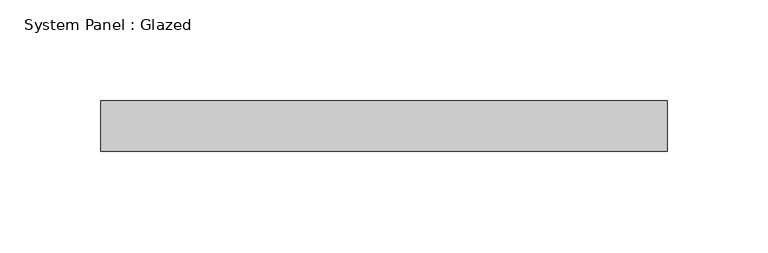
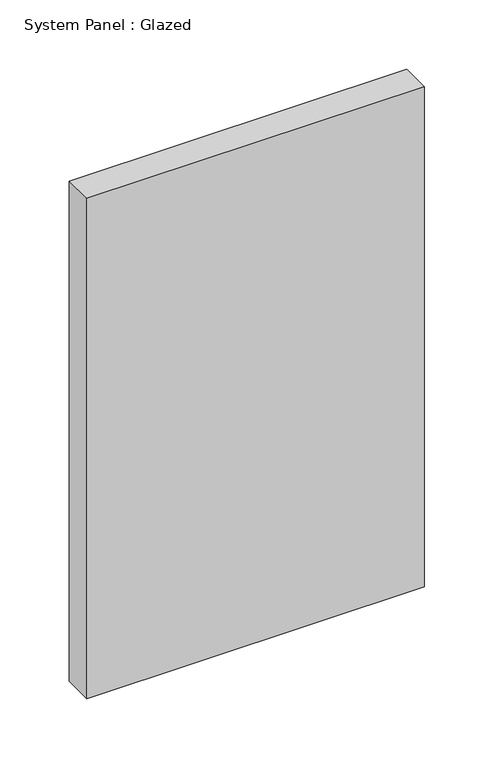
"""IFC4 building model written with IfcOpenShell, lengths in millimetres: plate geometry, System Panel : Glazed."""

import ifcopenshell
import ifcopenshell.guid

model = None  # the IFC model being written
_history = None  # IfcOwnerHistory: only IFC2X3 demands one
_inside = {}  # id of a spatial element -> (the spatial element, [elements in it])
_under = {}  # id of a project, library or spatial element -> (it, [spatial elements below it])
_declared = {}  # id of a project -> (the project, [libraries it declares])
_typed = {}  # id of a type object -> (the type object, [elements of that type])
_made_of = {}  # id of a material, layer set ... -> (it, [elements and type objects made of it])


def new_model(schema):
    """Start an empty IFC model of exactly this schema.

    Asked for "IFC4X3", IfcOpenShell would pick the latest addendum, in which some entities
    have other attributes; the version numbers below select the first issue.
    IFC2X3 requires an IfcOwnerHistory on every rooted entity: one is made here for all.
    """
    global model, _history
    if schema == "IFC4X3":
        model = ifcopenshell.file(schema_version=(4, 3, 0, 0))
    else:
        model = ifcopenshell.file(schema=schema)
    _inside.clear()
    _under.clear()
    _declared.clear()
    _typed.clear()
    _made_of.clear()
    _history = None
    if model.schema == "IFC2X3":
        org = make("IfcOrganization", Name="unknown")
        user = make(
            "IfcPersonAndOrganization",
            ThePerson=make("IfcPerson", FamilyName="unknown"),
            TheOrganization=org,
        )
        app = make(
            "IfcApplication",
            ApplicationDeveloper=org,
            Version="unknown",
            ApplicationFullName="unknown",
            ApplicationIdentifier="unknown",
        )
        _history = make(
            "IfcOwnerHistory",
            OwningUser=user,
            OwningApplication=app,
            ChangeAction="ADDED",
            CreationDate=0,
        )
    return model


def make(cls, **values):
    """One entity of the class cls with the attributes given. An attribute that is None is left unset."""
    return model.create_entity(
        cls, **{name: value for name, value in values.items() if value is not None}
    )


def rooted(cls, **values):
    """An entity with a GlobalId (a new one), such as an element, a storey or a relation."""
    return make(cls, GlobalId=ifcopenshell.guid.new(), OwnerHistory=_history, **values)


def si_unit(unit_type, name, prefix=None):
    """IfcSIUnit, for example si_unit("LENGTHUNIT", "METRE", prefix="MILLI")."""
    return make("IfcSIUnit", UnitType=unit_type, Prefix=prefix, Name=name)


def assignment(units):
    """IfcUnitAssignment: the units of a project."""
    return None if units is None else make("IfcUnitAssignment", Units=units)


def point(xyz):
    """IfcCartesianPoint."""
    return None if xyz is None else make("IfcCartesianPoint", Coordinates=xyz)


def direction(xyz):
    """IfcDirection."""
    return None if xyz is None else make("IfcDirection", DirectionRatios=xyz)


def frame(location, z_axis=None, x_axis=None):
    """IfcAxis2Placement3D, a coordinate frame: its origin and axes. An axis left out is left unset."""
    return make(
        "IfcAxis2Placement3D",
        Location=point(location),
        Axis=direction(z_axis),
        RefDirection=direction(x_axis),
    )


def origin():
    """The frame at (0, 0, 0) with its axes left unset."""
    return frame((0.0, 0.0, 0.0))


def origin_with_axes():
    """The frame at (0, 0, 0) with the z axis (0, 0, 1) and the x axis (1, 0, 0) written out."""
    return frame((0.0, 0.0, 0.0), z_axis=(0.0, 0.0, 1.0), x_axis=(1.0, 0.0, 0.0))


def place(relative_to, where):
    """IfcLocalPlacement: puts the frame where relative to a parent placement (None: the world)."""
    return make(
        "IfcLocalPlacement", PlacementRelTo=relative_to, RelativePlacement=where
    )


def context(
    kind, dimensions, precision=None, world=None, true_north=None, identifier=None
):
    """IfcGeometricRepresentationContext, for example the 3D "Model" context."""
    return make(
        "IfcGeometricRepresentationContext",
        ContextIdentifier=identifier,
        ContextType=kind,
        CoordinateSpaceDimension=dimensions,
        Precision=precision,
        WorldCoordinateSystem=world,
        TrueNorth=true_north,
    )


def project(units=None, contexts=None):
    """IfcProject with its units and contexts."""
    return rooted(
        "IfcProject",
        Name="project",
        RepresentationContexts=contexts,
        UnitsInContext=assignment(units),
    )


def spatial(cls, under=None, at=None, **own):
    """A site, building, storey or space (cls), placed at a placement, below another one or the project."""
    s = rooted(cls, ObjectPlacement=at, **own)
    if under is not None:
        _under.setdefault(under.id(), (under, []))[1].append(s)
    return s


def polyline(points):
    """IfcPolyline through the points."""
    return make("IfcPolyline", Points=[point(p) for p in points])


def outline(outer, holes=None, kind="AREA"):
    """IfcArbitraryClosedProfileDef: a profile drawn as a closed curve; with holes, ...WithVoids."""
    if holes is None:
        return make("IfcArbitraryClosedProfileDef", ProfileType=kind, OuterCurve=outer)
    return make(
        "IfcArbitraryProfileDefWithVoids",
        ProfileType=kind,
        OuterCurve=outer,
        InnerCurves=holes,
    )


def extrude(swept, where, along, depth):
    """IfcExtrudedAreaSolid: the profile swept, set in the frame where, extruded along a direction by depth."""
    return make(
        "IfcExtrudedAreaSolid",
        SweptArea=swept,
        Position=where,
        ExtrudedDirection=direction(along),
        Depth=depth,
    )


def shape(context_of_items, identifier, shape_type, items):
    """IfcShapeRepresentation: the items that make up one representation, for example the "Body"."""
    return make(
        "IfcShapeRepresentation",
        ContextOfItems=context_of_items,
        RepresentationIdentifier=identifier,
        RepresentationType=shape_type,
        Items=items,
    )


def source(mapping_origin, context_of_items, identifier, shape_type, items):
    """IfcRepresentationMap: a shape defined once, which mapped items show again and again."""
    return make(
        "IfcRepresentationMap",
        MappingOrigin=mapping_origin,
        MappedRepresentation=shape(context_of_items, identifier, shape_type, items),
    )


def transform(
    local_origin,
    x_axis=None,
    y_axis=None,
    z_axis=None,
    scale=None,
    scale2=None,
    scale3=None,
    uniform=True,
):
    """IfcCartesianTransformationOperator3D, or its non-uniform kind. x_axis, y_axis, z_axis: its Axis1, 2, 3."""
    if uniform:
        return make(
            "IfcCartesianTransformationOperator3D",
            Axis1=direction(x_axis),
            Axis2=direction(y_axis),
            LocalOrigin=point(local_origin),
            Scale=scale,
            Axis3=direction(z_axis),
        )
    return make(
        "IfcCartesianTransformationOperator3DnonUniform",
        Axis1=direction(x_axis),
        Axis2=direction(y_axis),
        LocalOrigin=point(local_origin),
        Scale=scale,
        Axis3=direction(z_axis),
        Scale2=scale2,
        Scale3=scale3,
    )


def mapped(mapping_source, mapping_target):
    """IfcMappedItem: shows the shape of a source again, moved by a transform."""
    return make(
        "IfcMappedItem", MappingSource=mapping_source, MappingTarget=mapping_target
    )


def made_of(thing, what):
    """Note that an element or type object is made of a material, layer set ...; save() writes the relation."""
    if what is not None:
        _made_of.setdefault(what.id(), (what, []))[1].append(thing)
    return thing


def element(
    cls,
    number,
    at=None,
    inside=None,
    cuts=None,
    type_object=None,
    material=None,
    context=None,
    identifier="Body",
    shape_type=None,
    held_by="IfcProductDefinitionShape",
    body=None,
    shapes=None,
    **own,
):
    """One element of the class cls, such as IfcWall. Its Tag is "e" and its number.

    at: its placement. inside: the storey or other place that contains it. cuts: it is an
    opening in that element (IfcRelVoidsElement). A single representation is given by context,
    identifier, shape_type and body (its items); several are given by shapes. held_by: the class
    of the entity that holds the representations. save() writes the other relations.
    """
    e = rooted(cls, Tag="e%d" % number, ObjectPlacement=at, **own)
    if body is not None:
        shapes = [shape(context, identifier, shape_type, body)]
    if shapes is not None:
        e.Representation = make(held_by, Representations=shapes)
    if inside is not None:
        _inside.setdefault(inside.id(), (inside, []))[1].append(e)
    if cuts is not None:
        rooted(
            "IfcRelVoidsElement", RelatingBuildingElement=cuts, RelatedOpeningElement=e
        )
    if type_object is not None:
        _typed.setdefault(type_object.id(), (type_object, []))[1].append(e)
    return made_of(e, material)


def aggregate(whole, parts):
    """IfcRelAggregates: a whole, such as a stair, and the parts it consists of."""
    return rooted("IfcRelAggregates", RelatingObject=whole, RelatedObjects=parts)


def save(model, path):
    """Write the relations noted so far, then the file.

    IfcRelAggregates (storeys below a building ...), IfcRelContainedInSpatialStructure (elements
    in a storey), IfcRelDefinesByType, IfcRelAssociatesMaterial and IfcRelDeclares: one each for
    every whole, place, type object, material and project.
    """
    for whole, parts in _under.values():
        aggregate(whole, parts)
    for where, things in _inside.values():
        rooted(
            "IfcRelContainedInSpatialStructure",
            RelatedElements=things,
            RelatingStructure=where,
        )
    for kind, things in _typed.values():
        rooted("IfcRelDefinesByType", RelatedObjects=things, RelatingType=kind)
    for what, things in _made_of.values():
        rooted("IfcRelAssociatesMaterial", RelatedObjects=things, RelatingMaterial=what)
    for by, libraries in _declared.values():
        rooted("IfcRelDeclares", RelatingContext=by, RelatedDefinitions=libraries)
    model.write(path)


def system_panel_glazed_7c2da767(model_context):
    return source(origin(), model_context, "Body", "SweptSolid", [
        extrude(outline(polyline([(140.1088785, -49.5), (-140.1088785, -49.5), (-140.1088785, -24.5), (140.1088785, -24.5), (140.1088785, -49.5)])), origin_with_axes(), (0.0, 0.0, 1.0), 439.3649013),
    ])


if __name__ == "__main__":
    model = new_model("IFC4")
    model_context = context("Model", 3, world=origin())
    ifc_project = project(units=[si_unit("LENGTHUNIT", "METRE", prefix="MILLI")], contexts=[model_context])
    site = spatial("IfcSite", under=ifc_project)
    building = spatial("IfcBuilding", under=site)
    placement = place(None, origin())
    system_panel_glazed_shape = system_panel_glazed_7c2da767(model_context)
    element("IfcPlate", 1, ObjectType="System Panel : Glazed", at=placement, inside=building, context=model_context, shape_type="MappedRepresentation", body=[
        mapped(system_panel_glazed_shape, transform((0.0, 0.0, 0.0), x_axis=(1.0, 0.0, 0.0), y_axis=(0.0, 1.0, 0.0), z_axis=(0.0, 0.0, 1.0))),
    ])
    save(model, "model.ifc")
